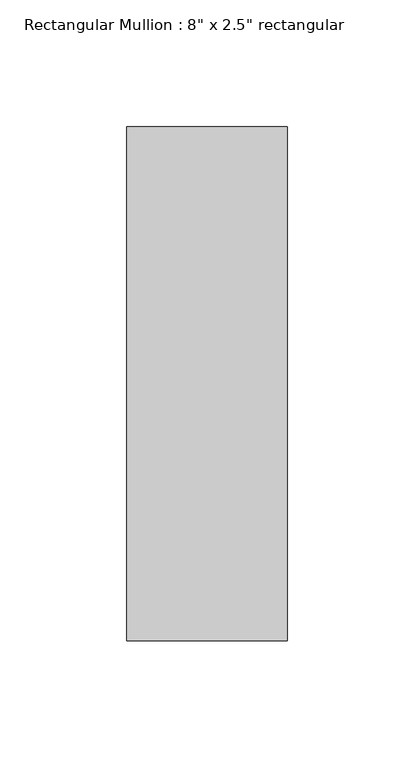
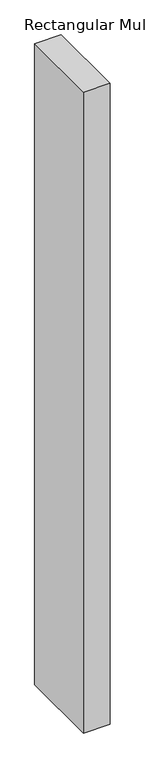
"""IFC4 building model written with IfcOpenShell, lengths in millimetres: member geometry."""

import ifcopenshell
import ifcopenshell.guid

model = None  # the IFC model being written
_history = None  # IfcOwnerHistory: only IFC2X3 demands one
_inside = {}  # id of a spatial element -> (the spatial element, [elements in it])
_under = {}  # id of a project, library or spatial element -> (it, [spatial elements below it])
_declared = {}  # id of a project -> (the project, [libraries it declares])
_typed = {}  # id of a type object -> (the type object, [elements of that type])
_made_of = {}  # id of a material, layer set ... -> (it, [elements and type objects made of it])


def new_model(schema):
    """Start an empty IFC model of exactly this schema.

    Asked for "IFC4X3", IfcOpenShell would pick the latest addendum, in which some entities
    have other attributes; the version numbers below select the first issue.
    IFC2X3 requires an IfcOwnerHistory on every rooted entity: one is made here for all.
    """
    global model, _history
    if schema == "IFC4X3":
        model = ifcopenshell.file(schema_version=(4, 3, 0, 0))
    else:
        model = ifcopenshell.file(schema=schema)
    _inside.clear()
    _under.clear()
    _declared.clear()
    _typed.clear()
    _made_of.clear()
    _history = None
    if model.schema == "IFC2X3":
        org = make("IfcOrganization", Name="unknown")
        user = make(
            "IfcPersonAndOrganization",
            ThePerson=make("IfcPerson", FamilyName="unknown"),
            TheOrganization=org,
        )
        app = make(
            "IfcApplication",
            ApplicationDeveloper=org,
            Version="unknown",
            ApplicationFullName="unknown",
            ApplicationIdentifier="unknown",
        )
        _history = make(
            "IfcOwnerHistory",
            OwningUser=user,
            OwningApplication=app,
            ChangeAction="ADDED",
            CreationDate=0,
        )
    return model


def make(cls, **values):
    """One entity of the class cls with the attributes given. An attribute that is None is left unset."""
    return model.create_entity(
        cls, **{name: value for name, value in values.items() if value is not None}
    )


def rooted(cls, **values):
    """An entity with a GlobalId (a new one), such as an element, a storey or a relation."""
    return make(cls, GlobalId=ifcopenshell.guid.new(), OwnerHistory=_history, **values)


def si_unit(unit_type, name, prefix=None):
    """IfcSIUnit, for example si_unit("LENGTHUNIT", "METRE", prefix="MILLI")."""
    return make("IfcSIUnit", UnitType=unit_type, Prefix=prefix, Name=name)


def assignment(units):
    """IfcUnitAssignment: the units of a project."""
    return None if units is None else make("IfcUnitAssignment", Units=units)


def point(xyz):
    """IfcCartesianPoint."""
    return None if xyz is None else make("IfcCartesianPoint", Coordinates=xyz)


def direction(xyz):
    """IfcDirection."""
    return None if xyz is None else make("IfcDirection", DirectionRatios=xyz)


def frame(location, z_axis=None, x_axis=None):
    """IfcAxis2Placement3D, a coordinate frame: its origin and axes. An axis left out is left unset."""
    return make(
        "IfcAxis2Placement3D",
        Location=point(location),
        Axis=direction(z_axis),
        RefDirection=direction(x_axis),
    )


def origin():
    """The frame at (0, 0, 0) with its axes left unset."""
    return frame((0.0, 0.0, 0.0))


def place(relative_to, where):
    """IfcLocalPlacement: puts the frame where relative to a parent placement (None: the world)."""
    return make(
        "IfcLocalPlacement", PlacementRelTo=relative_to, RelativePlacement=where
    )


def context(
    kind, dimensions, precision=None, world=None, true_north=None, identifier=None
):
    """IfcGeometricRepresentationContext, for example the 3D "Model" context."""
    return make(
        "IfcGeometricRepresentationContext",
        ContextIdentifier=identifier,
        ContextType=kind,
        CoordinateSpaceDimension=dimensions,
        Precision=precision,
        WorldCoordinateSystem=world,
        TrueNorth=true_north,
    )


def project(units=None, contexts=None):
    """IfcProject with its units and contexts."""
    return rooted(
        "IfcProject",
        Name="project",
        RepresentationContexts=contexts,
        UnitsInContext=assignment(units),
    )


def spatial(cls, under=None, at=None, **own):
    """A site, building, storey or space (cls), placed at a placement, below another one or the project."""
    s = rooted(cls, ObjectPlacement=at, **own)
    if under is not None:
        _under.setdefault(under.id(), (under, []))[1].append(s)
    return s


def polyline(points):
    """IfcPolyline through the points."""
    return make("IfcPolyline", Points=[point(p) for p in points])


def outline(outer, holes=None, kind="AREA"):
    """IfcArbitraryClosedProfileDef: a profile drawn as a closed curve; with holes, ...WithVoids."""
    if holes is None:
        return make("IfcArbitraryClosedProfileDef", ProfileType=kind, OuterCurve=outer)
    return make(
        "IfcArbitraryProfileDefWithVoids",
        ProfileType=kind,
        OuterCurve=outer,
        InnerCurves=holes,
    )


def extrude(swept, where, along, depth):
    """IfcExtrudedAreaSolid: the profile swept, set in the frame where, extruded along a direction by depth."""
    return make(
        "IfcExtrudedAreaSolid",
        SweptArea=swept,
        Position=where,
        ExtrudedDirection=direction(along),
        Depth=depth,
    )


def shape(context_of_items, identifier, shape_type, items):
    """IfcShapeRepresentation: the items that make up one representation, for example the "Body"."""
    return make(
        "IfcShapeRepresentation",
        ContextOfItems=context_of_items,
        RepresentationIdentifier=identifier,
        RepresentationType=shape_type,
        Items=items,
    )


def source(mapping_origin, context_of_items, identifier, shape_type, items):
    """IfcRepresentationMap: a shape defined once, which mapped items show again and again."""
    return make(
        "IfcRepresentationMap",
        MappingOrigin=mapping_origin,
        MappedRepresentation=shape(context_of_items, identifier, shape_type, items),
    )


def transform(
    local_origin,
    x_axis=None,
    y_axis=None,
    z_axis=None,
    scale=None,
    scale2=None,
    scale3=None,
    uniform=True,
):
    """IfcCartesianTransformationOperator3D, or its non-uniform kind. x_axis, y_axis, z_axis: its Axis1, 2, 3."""
    if uniform:
        return make(
            "IfcCartesianTransformationOperator3D",
            Axis1=direction(x_axis),
            Axis2=direction(y_axis),
            LocalOrigin=point(local_origin),
            Scale=scale,
            Axis3=direction(z_axis),
        )
    return make(
        "IfcCartesianTransformationOperator3DnonUniform",
        Axis1=direction(x_axis),
        Axis2=direction(y_axis),
        LocalOrigin=point(local_origin),
        Scale=scale,
        Axis3=direction(z_axis),
        Scale2=scale2,
        Scale3=scale3,
    )


def mapped(mapping_source, mapping_target):
    """IfcMappedItem: shows the shape of a source again, moved by a transform."""
    return make(
        "IfcMappedItem", MappingSource=mapping_source, MappingTarget=mapping_target
    )


def made_of(thing, what):
    """Note that an element or type object is made of a material, layer set ...; save() writes the relation."""
    if what is not None:
        _made_of.setdefault(what.id(), (what, []))[1].append(thing)
    return thing


def element(
    cls,
    number,
    at=None,
    inside=None,
    cuts=None,
    type_object=None,
    material=None,
    context=None,
    identifier="Body",
    shape_type=None,
    held_by="IfcProductDefinitionShape",
    body=None,
    shapes=None,
    **own,
):
    """One element of the class cls, such as IfcWall. Its Tag is "e" and its number.

    at: its placement. inside: the storey or other place that contains it. cuts: it is an
    opening in that element (IfcRelVoidsElement). A single representation is given by context,
    identifier, shape_type and body (its items); several are given by shapes. held_by: the class
    of the entity that holds the representations. save() writes the other relations.
    """
    e = rooted(cls, Tag="e%d" % number, ObjectPlacement=at, **own)
    if body is not None:
        shapes = [shape(context, identifier, shape_type, body)]
    if shapes is not None:
        e.Representation = make(held_by, Representations=shapes)
    if inside is not None:
        _inside.setdefault(inside.id(), (inside, []))[1].append(e)
    if cuts is not None:
        rooted(
            "IfcRelVoidsElement", RelatingBuildingElement=cuts, RelatedOpeningElement=e
        )
    if type_object is not None:
        _typed.setdefault(type_object.id(), (type_object, []))[1].append(e)
    return made_of(e, material)


def aggregate(whole, parts):
    """IfcRelAggregates: a whole, such as a stair, and the parts it consists of."""
    return rooted("IfcRelAggregates", RelatingObject=whole, RelatedObjects=parts)


def save(model, path):
    """Write the relations noted so far, then the file.

    IfcRelAggregates (storeys below a building ...), IfcRelContainedInSpatialStructure (elements
    in a storey), IfcRelDefinesByType, IfcRelAssociatesMaterial and IfcRelDeclares: one each for
    every whole, place, type object, material and project.
    """
    for whole, parts in _under.values():
        aggregate(whole, parts)
    for where, things in _inside.values():
        rooted(
            "IfcRelContainedInSpatialStructure",
            RelatedElements=things,
            RelatingStructure=where,
        )
    for kind, things in _typed.values():
        rooted("IfcRelDefinesByType", RelatedObjects=things, RelatingType=kind)
    for what, things in _made_of.values():
        rooted("IfcRelAssociatesMaterial", RelatedObjects=things, RelatingMaterial=what)
    for by, libraries in _declared.values():
        rooted("IfcRelDeclares", RelatingContext=by, RelatedDefinitions=libraries)
    model.write(path)


def member_b3f72b3f(model_context):
    return source(origin(), model_context, "Body", "SweptSolid", [
        extrude(outline(polyline([(31.75, 88.9), (31.75, -114.3), (-31.75, -114.3), (-31.75, 88.9), (31.75, 88.9)])), frame((0.0, 0.0, -1625.6), z_axis=(0.0, 0.0, 1.0), x_axis=(1.0, 0.0, 0.0)), (0.0, 0.0, 1.0), 1625.6),
    ])


if __name__ == "__main__":
    model = new_model("IFC4")
    model_context = context("Model", 3, world=origin())
    ifc_project = project(units=[si_unit("LENGTHUNIT", "METRE", prefix="MILLI")], contexts=[model_context])
    site = spatial("IfcSite", under=ifc_project)
    building = spatial("IfcBuilding", under=site)
    placement = place(None, origin())
    member_shape = member_b3f72b3f(model_context)
    element("IfcMember", 1, ObjectType="Rectangular Mullion : 8\" x 2.5\" rectangular", at=placement, inside=building, context=model_context, shape_type="MappedRepresentation", body=[
        mapped(member_shape, transform((0.0, 0.0, 0.0), x_axis=(1.0, 0.0, 0.0), y_axis=(0.0, 1.0, 0.0), z_axis=(0.0, 0.0, 1.0))),
    ])
    save(model, "model.ifc")
